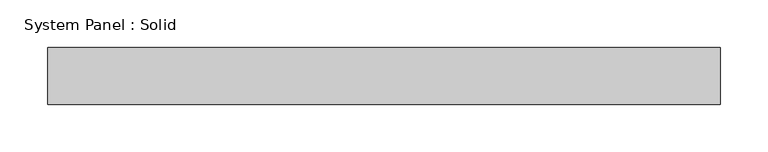
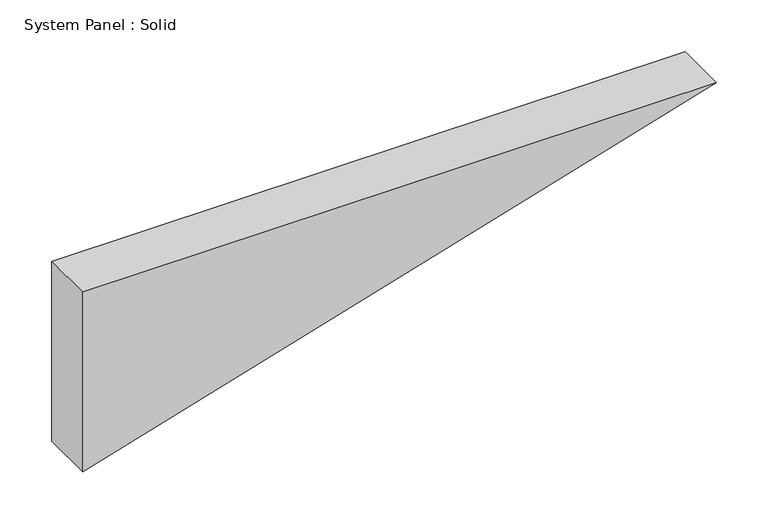
"""IFC4 building model written with IfcOpenShell, lengths in millimetres: plate geometry, System Panel : Solid."""

from ifc_helpers import new_model, si_unit, frame, origin, place, context, project, spatial, polyline, outline, extrude, source, transform, mapped, element, save


def system_panel_solid_20421b69(model_context):
    return source(origin(), model_context, "Body", "SweptSolid", [
        extrude(outline(polyline([(212.5967895, -353.6399167), (0.0, -353.6399167), (212.5967895, 353.6399167), (212.5967895, -353.6399167)])), frame((0.0, -10.5, 0.0), z_axis=(0.0, 1.0, 0.0), x_axis=(0.0, 0.0, 1.0)), (0.0, 0.0, 1.0), 60.0),
    ])


if __name__ == "__main__":
    model = new_model("IFC4")
    model_context = context("Model", 3, world=origin())
    ifc_project = project(units=[si_unit("LENGTHUNIT", "METRE", prefix="MILLI")], contexts=[model_context])
    site = spatial("IfcSite", under=ifc_project)
    building = spatial("IfcBuilding", under=site)
    placement = place(None, origin())
    system_panel_solid_shape = system_panel_solid_20421b69(model_context)
    element("IfcPlate", 1, ObjectType="System Panel : Solid", at=placement, inside=building, context=model_context, shape_type="MappedRepresentation", body=[
        mapped(system_panel_solid_shape, transform((0.0, 0.0, 0.0), x_axis=(1.0, 0.0, 0.0), y_axis=(0.0, 1.0, 0.0), z_axis=(0.0, 0.0, 1.0))),
    ])
    save(model, "model.ifc")
